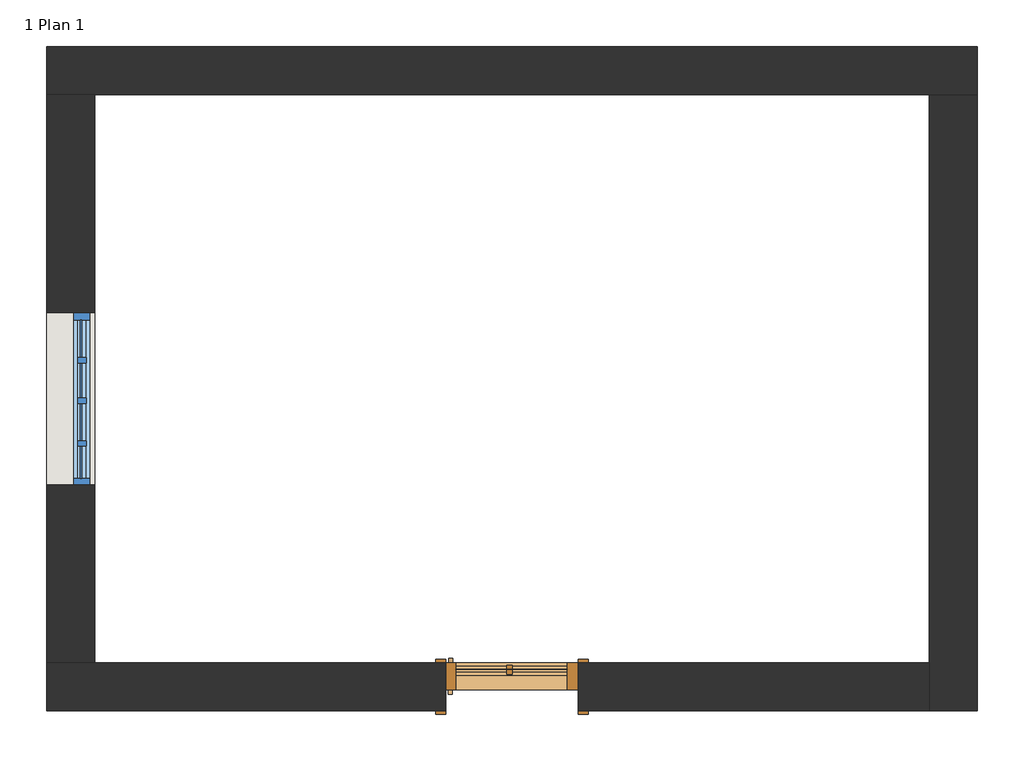
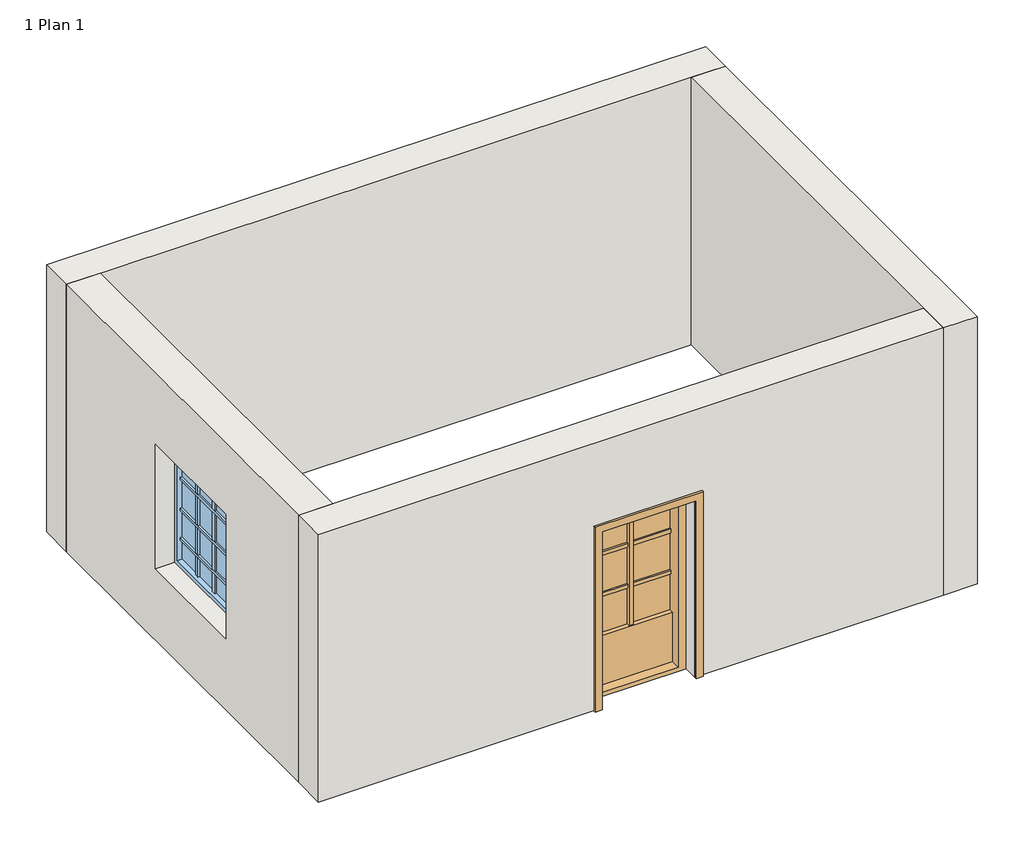
# One storey: 4 walls, 1 door, 1 window.
"""IFC4 building model written with IfcOpenShell, lengths in millimetres."""

import ifcopenshell
import ifcopenshell.guid

model = None  # the IFC model being written
_history = None  # IfcOwnerHistory: only IFC2X3 demands one
_inside = {}  # id of a spatial element -> (the spatial element, [elements in it])
_under = {}  # id of a project, library or spatial element -> (it, [spatial elements below it])
_declared = {}  # id of a project -> (the project, [libraries it declares])
_typed = {}  # id of a type object -> (the type object, [elements of that type])
_made_of = {}  # id of a material, layer set ... -> (it, [elements and type objects made of it])


def new_model(schema):
    """Start an empty IFC model of exactly this schema.

    Asked for "IFC4X3", IfcOpenShell would pick the latest addendum, in which some entities
    have other attributes; the version numbers below select the first issue.
    IFC2X3 requires an IfcOwnerHistory on every rooted entity: one is made here for all.
    """
    global model, _history
    if schema == "IFC4X3":
        model = ifcopenshell.file(schema_version=(4, 3, 0, 0))
    else:
        model = ifcopenshell.file(schema=schema)
    _inside.clear()
    _under.clear()
    _declared.clear()
    _typed.clear()
    _made_of.clear()
    _history = None
    if model.schema == "IFC2X3":
        org = make("IfcOrganization", Name="unknown")
        user = make(
            "IfcPersonAndOrganization",
            ThePerson=make("IfcPerson", FamilyName="unknown"),
            TheOrganization=org,
        )
        app = make(
            "IfcApplication",
            ApplicationDeveloper=org,
            Version="unknown",
            ApplicationFullName="unknown",
            ApplicationIdentifier="unknown",
        )
        _history = make(
            "IfcOwnerHistory",
            OwningUser=user,
            OwningApplication=app,
            ChangeAction="ADDED",
            CreationDate=0,
        )
    return model


def make(cls, **values):
    """One entity of the class cls with the attributes given. An attribute that is None is left unset."""
    return model.create_entity(
        cls, **{name: value for name, value in values.items() if value is not None}
    )


def rooted(cls, **values):
    """An entity with a GlobalId (a new one), such as an element, a storey or a relation."""
    return make(cls, GlobalId=ifcopenshell.guid.new(), OwnerHistory=_history, **values)


def si_unit(unit_type, name, prefix=None):
    """IfcSIUnit, for example si_unit("LENGTHUNIT", "METRE", prefix="MILLI")."""
    return make("IfcSIUnit", UnitType=unit_type, Prefix=prefix, Name=name)


def assignment(units):
    """IfcUnitAssignment: the units of a project."""
    return None if units is None else make("IfcUnitAssignment", Units=units)


def point(xyz):
    """IfcCartesianPoint."""
    return None if xyz is None else make("IfcCartesianPoint", Coordinates=xyz)


def direction(xyz):
    """IfcDirection."""
    return None if xyz is None else make("IfcDirection", DirectionRatios=xyz)


def frame(location, z_axis=None, x_axis=None):
    """IfcAxis2Placement3D, a coordinate frame: its origin and axes. An axis left out is left unset."""
    return make(
        "IfcAxis2Placement3D",
        Location=point(location),
        Axis=direction(z_axis),
        RefDirection=direction(x_axis),
    )


def frame_2d(location, x_axis=None):
    """IfcAxis2Placement2D, a coordinate frame in the plane: its origin and x axis."""
    return make(
        "IfcAxis2Placement2D", Location=point(location), RefDirection=direction(x_axis)
    )


def origin():
    """The frame at (0, 0, 0) with its axes left unset."""
    return frame((0.0, 0.0, 0.0))


def place(relative_to, where):
    """IfcLocalPlacement: puts the frame where relative to a parent placement (None: the world)."""
    return make(
        "IfcLocalPlacement", PlacementRelTo=relative_to, RelativePlacement=where
    )


def context(
    kind, dimensions, precision=None, world=None, true_north=None, identifier=None
):
    """IfcGeometricRepresentationContext, for example the 3D "Model" context."""
    return make(
        "IfcGeometricRepresentationContext",
        ContextIdentifier=identifier,
        ContextType=kind,
        CoordinateSpaceDimension=dimensions,
        Precision=precision,
        WorldCoordinateSystem=world,
        TrueNorth=true_north,
    )


def project(units=None, contexts=None):
    """IfcProject with its units and contexts."""
    return rooted(
        "IfcProject",
        Name="project",
        RepresentationContexts=contexts,
        UnitsInContext=assignment(units),
    )


def spatial(cls, under=None, at=None, **own):
    """A site, building, storey or space (cls), placed at a placement, below another one or the project."""
    s = rooted(cls, ObjectPlacement=at, **own)
    if under is not None:
        _under.setdefault(under.id(), (under, []))[1].append(s)
    return s


def polyline(points):
    """IfcPolyline through the points."""
    return make("IfcPolyline", Points=[point(p) for p in points])


def circle_curve(where, radius):
    """IfcCircle in the frame where."""
    return make("IfcCircle", Position=where, Radius=radius)


def trimmed(basis, trim1, trim2, sense, master):
    """IfcTrimmedCurve: the piece of a basis curve between two trims."""
    return make(
        "IfcTrimmedCurve",
        BasisCurve=basis,
        Trim1=trim1,
        Trim2=trim2,
        SenseAgreement=sense,
        MasterRepresentation=master,
    )


def segment(curve, same_sense, transition):
    """IfcCompositeCurveSegment."""
    return make(
        "IfcCompositeCurveSegment",
        Transition=transition,
        SameSense=same_sense,
        ParentCurve=curve,
    )


def composite_curve(segments, self_intersect=None):
    """IfcCompositeCurve: segments joined end to end."""
    return make("IfcCompositeCurve", Segments=segments, SelfIntersect=self_intersect)


def outline(outer, holes=None, kind="AREA"):
    """IfcArbitraryClosedProfileDef: a profile drawn as a closed curve; with holes, ...WithVoids."""
    if holes is None:
        return make("IfcArbitraryClosedProfileDef", ProfileType=kind, OuterCurve=outer)
    return make(
        "IfcArbitraryProfileDefWithVoids",
        ProfileType=kind,
        OuterCurve=outer,
        InnerCurves=holes,
    )


def extrude(swept, where, along, depth):
    """IfcExtrudedAreaSolid: the profile swept, set in the frame where, extruded along a direction by depth."""
    return make(
        "IfcExtrudedAreaSolid",
        SweptArea=swept,
        Position=where,
        ExtrudedDirection=direction(along),
        Depth=depth,
    )


def faces_of(points, faces, orient=None, outer=None):
    """IfcFace entities. A face is a list of loops; a loop is a list of indices into points, from 0.

    orient and outer hold one flag for each loop. By default every Orientation is true, the
    first loop of a face is its IfcFaceOuterBound and the others are IfcFaceBound.
    """
    made = []
    for i, loops in enumerate(faces):
        bounds = []
        for j, loop in enumerate(loops):
            is_outer = j == 0 if outer is None else outer[i][j]
            bounds.append(
                make(
                    "IfcFaceOuterBound" if is_outer else "IfcFaceBound",
                    Bound=make("IfcPolyLoop", Polygon=[points[k] for k in loop]),
                    Orientation=True if orient is None else orient[i][j],
                )
            )
        made.append(make("IfcFace", Bounds=bounds))
    return made


def faceted_brep(points, faces, orient=None, outer=None, voids=None):
    """IfcFacetedBrep: a solid bounded by flat faces; with voids (closed shells), ...WithVoids."""
    shared = [point(p) for p in points]
    hull = make("IfcClosedShell", CfsFaces=faces_of(shared, faces, orient, outer))
    if voids is None:
        return make("IfcFacetedBrep", Outer=hull)
    return make(
        "IfcFacetedBrepWithVoids",
        Outer=hull,
        Voids=[
            make(cls, CfsFaces=faces_of(shared, fs, o, b)) for cls, fs, o, b in voids
        ],
    )


def shape(context_of_items, identifier, shape_type, items):
    """IfcShapeRepresentation: the items that make up one representation, for example the "Body"."""
    return make(
        "IfcShapeRepresentation",
        ContextOfItems=context_of_items,
        RepresentationIdentifier=identifier,
        RepresentationType=shape_type,
        Items=items,
    )


def source(mapping_origin, context_of_items, identifier, shape_type, items):
    """IfcRepresentationMap: a shape defined once, which mapped items show again and again."""
    return make(
        "IfcRepresentationMap",
        MappingOrigin=mapping_origin,
        MappedRepresentation=shape(context_of_items, identifier, shape_type, items),
    )


def transform(
    local_origin,
    x_axis=None,
    y_axis=None,
    z_axis=None,
    scale=None,
    scale2=None,
    scale3=None,
    uniform=True,
):
    """IfcCartesianTransformationOperator3D, or its non-uniform kind. x_axis, y_axis, z_axis: its Axis1, 2, 3."""
    if uniform:
        return make(
            "IfcCartesianTransformationOperator3D",
            Axis1=direction(x_axis),
            Axis2=direction(y_axis),
            LocalOrigin=point(local_origin),
            Scale=scale,
            Axis3=direction(z_axis),
        )
    return make(
        "IfcCartesianTransformationOperator3DnonUniform",
        Axis1=direction(x_axis),
        Axis2=direction(y_axis),
        LocalOrigin=point(local_origin),
        Scale=scale,
        Axis3=direction(z_axis),
        Scale2=scale2,
        Scale3=scale3,
    )


def mapped(mapping_source, mapping_target):
    """IfcMappedItem: shows the shape of a source again, moved by a transform."""
    return make(
        "IfcMappedItem", MappingSource=mapping_source, MappingTarget=mapping_target
    )


def made_of(thing, what):
    """Note that an element or type object is made of a material, layer set ...; save() writes the relation."""
    if what is not None:
        _made_of.setdefault(what.id(), (what, []))[1].append(thing)
    return thing


def element(
    cls,
    number,
    at=None,
    inside=None,
    cuts=None,
    type_object=None,
    material=None,
    context=None,
    identifier="Body",
    shape_type=None,
    held_by="IfcProductDefinitionShape",
    body=None,
    shapes=None,
    **own,
):
    """One element of the class cls, such as IfcWall. Its Tag is "e" and its number.

    at: its placement. inside: the storey or other place that contains it. cuts: it is an
    opening in that element (IfcRelVoidsElement). A single representation is given by context,
    identifier, shape_type and body (its items); several are given by shapes. held_by: the class
    of the entity that holds the representations. save() writes the other relations.
    """
    e = rooted(cls, Tag="e%d" % number, ObjectPlacement=at, **own)
    if body is not None:
        shapes = [shape(context, identifier, shape_type, body)]
    if shapes is not None:
        e.Representation = make(held_by, Representations=shapes)
    if inside is not None:
        _inside.setdefault(inside.id(), (inside, []))[1].append(e)
    if cuts is not None:
        rooted(
            "IfcRelVoidsElement", RelatingBuildingElement=cuts, RelatedOpeningElement=e
        )
    if type_object is not None:
        _typed.setdefault(type_object.id(), (type_object, []))[1].append(e)
    return made_of(e, material)


def aggregate(whole, parts):
    """IfcRelAggregates: a whole, such as a stair, and the parts it consists of."""
    return rooted("IfcRelAggregates", RelatingObject=whole, RelatedObjects=parts)


def save(model, path):
    """Write the relations noted so far, then the file.

    IfcRelAggregates (storeys below a building ...), IfcRelContainedInSpatialStructure (elements
    in a storey), IfcRelDefinesByType, IfcRelAssociatesMaterial and IfcRelDeclares: one each for
    every whole, place, type object, material and project.
    """
    for whole, parts in _under.values():
        aggregate(whole, parts)
    for where, things in _inside.values():
        rooted(
            "IfcRelContainedInSpatialStructure",
            RelatedElements=things,
            RelatingStructure=where,
        )
    for kind, things in _typed.values():
        rooted("IfcRelDefinesByType", RelatedObjects=things, RelatingType=kind)
    for what, things in _made_of.values():
        rooted("IfcRelAssociatesMaterial", RelatedObjects=things, RelatingMaterial=what)
    for by, libraries in _declared.values():
        rooted("IfcRelDeclares", RelatingContext=by, RelatedDefinitions=libraries)
    model.write(path)


def door_15cb1f47(model_context):
    return source(origin(), model_context, "Body", "SweptSolid", [
        extrude(outline(polyline([(2000.0, -500.0), (2000.0, 500.0), (0.0, 500.0), (0.0, 575.0), (2075.0, 575.0), (2075.0, -575.0), (0.0, -575.0), (0.0, -500.0), (2000.0, -500.0)])), frame((0.0, 181.5, 0.0), z_axis=(0.0, 1.0, 0.0), x_axis=(0.0, 0.0, 1.0)), (0.0, 0.0, 1.0), 25.0),
        extrude(outline(polyline([(2075.0, -575.0), (0.0, -575.0), (0.0, -500.0), (2000.0, -500.0), (2000.0, 500.0), (0.0, 500.0), (0.0, 575.0), (2075.0, 575.0), (2075.0, -575.0)])), frame((0.0, -206.5, 0.0), z_axis=(0.0, 1.0, 0.0), x_axis=(0.0, 0.0, 1.0)), (0.0, 0.0, 1.0), 25.0),
        extrude(outline(polyline([(422.473882, -133.5), (-415.0, -133.5), (-415.0, -131.5), (422.473882, -131.5), (422.473882, -133.5)])), frame((0.0, 0.0, 599.8228191), z_axis=(0.0, 0.0, 1.0), x_axis=(1.0, 0.0, 0.0)), (0.0, 0.0, 1.0), 1363.6242112),
        extrude(outline(polyline([(40.0, -161.2253953), (-3.4048038, -161.2253953), (-3.4048038, -96.2253953), (40.0, -96.2253953), (40.0, -161.2253953)])), frame((0.0, 0.0, 599.8228191), z_axis=(0.0, 0.0, 1.0), x_axis=(1.0, 0.0, 0.0)), (0.0, 0.0, 1.0), 1363.6242112),
        extrude(outline(polyline([(2000.0, 500.0), (2000.0, -500.0), (0.0, -500.0), (0.0, 500.0), (2000.0, 500.0)]), holes=[polyline([(43.4470303, 422.473882), (43.4470303, -415.0), (1963.4470303, -415.0), (1963.4470303, 422.473882), (43.4470303, 422.473882)])]), frame((0.0, -181.5, 0.0), z_axis=(0.0, 1.0, 0.0), x_axis=(0.0, 0.0, 1.0)), (0.0, 0.0, 1.0), 201.5),
        extrude(outline(composite_curve([segment(trimmed(circle_curve(frame_2d((946.6881448, 464.9196404)), 15.0), [point((946.6881448, 479.9196404))], [point((946.6881448, 449.9196404))], False, "CARTESIAN"), True, "CONTINUOUS"), segment(trimmed(circle_curve(frame_2d((946.6881448, 464.9196404)), 15.0), [point((946.6881448, 449.9196404))], [point((946.6881448, 479.9196404))], False, "CARTESIAN"), True, "CONTINUOUS")], self_intersect=False)), frame((0.0, 20.0, 0.0), z_axis=(0.0, 1.0, 0.0), x_axis=(0.0, 0.0, 1.0)), (0.0, 0.0, 1.0), 33.9),
        extrude(outline(composite_curve([segment(trimmed(circle_curve(frame_2d((948.2153091, 458.8894284)), 15.0), [point((948.2153091, 443.8894284))], [point((948.2153091, 473.8894284))], False, "CARTESIAN"), True, "CONTINUOUS"), segment(trimmed(circle_curve(frame_2d((948.2153091, 458.8894284)), 15.0), [point((948.2153091, 473.8894284))], [point((948.2153091, 443.8894284))], False, "CARTESIAN"), True, "CONTINUOUS")], self_intersect=False)), frame((0.0, -215.426138, 0.0), z_axis=(0.0, 1.0, 0.0), x_axis=(0.0, 0.0, 1.0)), (0.0, 0.0, 1.0), 33.926138),
        extrude(outline(polyline([(422.473882, -111.8287398), (422.473882, -156.2253953), (-415.0, -156.2253953), (-415.0, -111.8287398), (422.473882, -111.8287398)])), frame((0.0, 0.0, 1477.103294), z_axis=(0.0, 0.0, 1.0), x_axis=(1.0, 0.0, 0.0)), (0.0, 0.0, 1.0), 40.1724937),
        extrude(outline(polyline([(422.473882, -112.1033445), (422.473882, -156.5), (-415.0, -156.5), (-415.0, -112.1033445), (422.473882, -112.1033445)])), frame((0.0, 0.0, 1013.5063999), z_axis=(0.0, 0.0, 1.0), x_axis=(1.0, 0.0, 0.0)), (0.0, 0.0, 1.0), 40.1724937),
        extrude(outline(polyline([(422.473882, -181.5), (-415.0, -181.5), (-415.0, -86.5), (422.473882, -86.5), (422.473882, -181.5)])), frame((0.0, 0.0, 43.4470303), z_axis=(0.0, 0.0, 1.0), x_axis=(1.0, 0.0, 0.0)), (0.0, 0.0, 1.0), 556.3757888),
    ])


def window_07c55287(model_context):
    return source(origin(), model_context, "Body", "SolidModel", [
        faceted_brep([(-146.2502915, -51.9216834, 854.6219736), (-146.2502915, -116.9216834, 854.6219736), (-186.2502915, -116.9216834, 854.6219736), (-186.2502915, -51.9216834, 854.6219736), (-146.2502915, -51.9216834, 2154.6219736), (-146.2502915, -116.9216834, 2154.6219736), (-146.2502915, -51.9216834, 1073.2641831), (-146.2502915, -111.5, 1073.2641831), (-146.2502915, -111.5, 1102.7391612), (-146.2502915, -51.9216834, 1102.7391612), (-146.2502915, -51.9216834, 1403.2641831), (-146.2502915, -111.5, 1403.2641831), (-146.2502915, -111.5, 1432.7391612), (-146.2502915, -51.9216834, 1432.7391612), (-146.2502915, -51.9216834, 1753.2641831), (-146.2502915, -111.5, 1753.2641831), (-146.2502915, -111.5, 1782.7391612), (-146.2502915, -51.9216834, 1782.7391612), (-186.2502915, -116.9216834, 2154.6219736), (-186.2502915, -51.9216834, 2154.6219736), (-186.2502915, -51.9216834, 1782.7391612), (-186.2502915, -111.5, 1782.7391612), (-186.2502915, -111.5, 1753.2641831), (-186.2502915, -51.9216834, 1753.2641831), (-186.2502915, -51.9216834, 1432.7391612), (-186.2502915, -111.5, 1432.7391612), (-186.2502915, -111.5, 1403.2641831), (-186.2502915, -51.9216834, 1403.2641831), (-186.2502915, -51.9216834, 1102.7391612), (-186.2502915, -111.5, 1102.7391612), (-186.2502915, -111.5, 1073.2641831), (-186.2502915, -51.9216834, 1073.2641831), (-466.2502915, -51.9216834, 854.6219736), (-466.2502915, -116.9216834, 854.6219736), (-506.2502915, -116.9216834, 854.6219736), (-506.2502915, -51.9216834, 854.6219736), (-466.2502915, -51.9216834, 2154.6219736), (-466.2502915, -116.9216834, 2154.6219736), (-466.2502915, -51.9216834, 1073.2641831), (-466.2502915, -111.5, 1073.2641831), (-466.2502915, -111.5, 1102.7391612), (-466.2502915, -51.9216834, 1102.7391612), (-466.2502915, -51.9216834, 1403.2641831), (-466.2502915, -111.5, 1403.2641831), (-466.2502915, -111.5, 1432.7391612), (-466.2502915, -51.9216834, 1432.7391612), (-466.2502915, -51.9216834, 1753.2641831), (-466.2502915, -111.5, 1753.2641831), (-466.2502915, -111.5, 1782.7391612), (-466.2502915, -51.9216834, 1782.7391612), (-506.2502915, -116.9216834, 2154.6219736), (-506.2502915, -51.9216834, 2154.6219736), (-506.2502915, -51.9216834, 1782.7391612), (-506.2502915, -111.5, 1782.7391612), (-506.2502915, -111.5, 1753.2641831), (-506.2502915, -51.9216834, 1753.2641831), (-506.2502915, -51.9216834, 1432.7391612), (-506.2502915, -111.5, 1432.7391612), (-506.2502915, -111.5, 1403.2641831), (-506.2502915, -51.9216834, 1403.2641831), (-506.2502915, -51.9216834, 1102.7391612), (-506.2502915, -111.5, 1102.7391612), (-506.2502915, -111.5, 1073.2641831), (-506.2502915, -51.9216834, 1073.2641831), (158.7497085, -51.9216834, 854.6219736), (158.7497085, -116.9216834, 854.6219736), (118.7497085, -116.9216834, 854.6219736), (118.7497085, -51.9216834, 854.6219736), (158.7497085, -51.9216834, 2154.6219736), (158.7497085, -116.9216834, 2154.6219736), (158.7497085, -51.9216834, 1073.2641831), (158.7497085, -111.5, 1073.2641831), (158.7497085, -111.5, 1102.7391612), (158.7497085, -51.9216834, 1102.7391612), (158.7497085, -51.9216834, 1403.2641831), (158.7497085, -111.5, 1403.2641831), (158.7497085, -111.5, 1432.7391612), (158.7497085, -51.9216834, 1432.7391612), (158.7497085, -51.9216834, 1753.2641831), (158.7497085, -111.5, 1753.2641831), (158.7497085, -111.5, 1782.7391612), (158.7497085, -51.9216834, 1782.7391612), (118.7497085, -116.9216834, 2154.6219736), (118.7497085, -51.9216834, 2154.6219736), (118.7497085, -51.9216834, 1782.7391612), (118.7497085, -111.5, 1782.7391612), (118.7497085, -111.5, 1753.2641831), (118.7497085, -51.9216834, 1753.2641831), (118.7497085, -51.9216834, 1432.7391612), (118.7497085, -111.5, 1432.7391612), (118.7497085, -111.5, 1403.2641831), (118.7497085, -51.9216834, 1403.2641831), (118.7497085, -51.9216834, 1102.7391612), (118.7497085, -111.5, 1102.7391612), (118.7497085, -111.5, 1073.2641831), (118.7497085, -51.9216834, 1073.2641831), (443.7497085, -111.5, 1782.7391612), (443.7497085, -111.5, 1753.2641831), (443.7497085, -51.4894594, 1753.2641831), (443.7497085, -51.4894594, 1782.7391612), (-750.0, -111.5, 1782.7391612), (-750.0, -51.4894594, 1782.7391612), (-750.0, -51.4894594, 1753.2641831), (-750.0, -111.5, 1753.2641831), (443.7497085, -111.5, 1432.7391612), (443.7497085, -111.5, 1403.2641831), (443.7497085, -51.4894594, 1403.2641831), (443.7497085, -51.4894594, 1432.7391612), (-750.0, -111.5, 1432.7391612), (-750.0, -51.4894594, 1432.7391612), (-750.0, -51.4894594, 1403.2641831), (-750.0, -111.5, 1403.2641831), (443.7497085, -111.5, 1102.7391612), (443.7497085, -111.5, 1073.2641831), (443.7497085, -51.4894594, 1073.2641831), (443.7497085, -51.4894594, 1102.7391612), (-750.0, -111.5, 1102.7391612), (-750.0, -51.4894594, 1102.7391612), (-750.0, -51.4894594, 1073.2641831), (-750.0, -111.5, 1073.2641831)], [[[0, 1, 2, 3]], [[4, 5, 1, 0, 6, 7, 8, 9, 10, 11, 12, 13, 14, 15, 16, 17]], [[5, 18, 2, 1]], [[18, 19, 20, 21, 22, 23, 24, 25, 26, 27, 28, 29, 30, 31, 3, 2]], [[0, 3, 31, 6]], [[23, 14, 13, 24]], [[19, 4, 17, 20]], [[27, 10, 9, 28]], [[32, 33, 34, 35]], [[36, 37, 33, 32, 38, 39, 40, 41, 42, 43, 44, 45, 46, 47, 48, 49]], [[37, 50, 34, 33]], [[50, 51, 52, 53, 54, 55, 56, 57, 58, 59, 60, 61, 62, 63, 35, 34]], [[32, 35, 63, 38]], [[55, 46, 45, 56]], [[51, 36, 49, 52]], [[59, 42, 41, 60]], [[64, 65, 66, 67]], [[68, 69, 65, 64, 70, 71, 72, 73, 74, 75, 76, 77, 78, 79, 80, 81]], [[69, 82, 66, 65]], [[82, 83, 84, 85, 86, 87, 88, 89, 90, 91, 92, 93, 94, 95, 67, 66]], [[64, 67, 95, 70]], [[83, 68, 81, 84]], [[78, 77, 88, 87]], [[74, 73, 92, 91]], [[96, 97, 98, 99]], [[100, 101, 102, 103]], [[97, 96, 80, 79]], [[100, 103, 54, 53]], [[22, 21, 48, 47]], [[16, 15, 86, 85]], [[98, 97, 79, 78, 87, 86, 15, 14, 23, 22, 47, 46, 55, 54, 103, 102]], [[99, 98, 102, 101]], [[96, 99, 101, 100, 53, 52, 49, 48, 21, 20, 17, 16, 85, 84, 81, 80]], [[4, 19, 18, 5]], [[36, 51, 50, 37]], [[104, 105, 106, 107]], [[108, 109, 110, 111]], [[12, 11, 90, 89]], [[105, 104, 76, 75]], [[108, 111, 58, 57]], [[25, 44, 43, 26]], [[106, 105, 75, 74, 91, 90, 11, 10, 27, 26, 43, 42, 59, 58, 111, 110]], [[107, 106, 110, 109]], [[104, 107, 109, 108, 57, 56, 45, 44, 25, 24, 13, 12, 89, 88, 77, 76]], [[112, 113, 114, 115]], [[116, 117, 118, 119]], [[8, 7, 94, 93]], [[113, 112, 72, 71]], [[116, 119, 62, 61]], [[29, 40, 39, 30]], [[114, 113, 71, 70, 95, 94, 7, 6, 31, 30, 39, 38, 63, 62, 119, 118]], [[115, 114, 118, 117]], [[112, 115, 117, 116, 61, 60, 41, 40, 29, 28, 9, 8, 93, 92, 73, 72]], [[68, 83, 82, 69]]]),
        extrude(outline(polyline([(443.7497085, -81.5), (-750.0, -81.5), (-750.0, -71.5), (443.7497085, -71.5), (443.7497085, -81.5)])), frame((0.0, 0.0, 854.6219736), z_axis=(0.0, 0.0, 1.0), x_axis=(1.0, 0.0, 0.0)), (0.0, 0.0, 1.0), 1300.0),
        extrude(outline(polyline([(2204.6219736, 493.7497085), (2204.6219736, -800.0), (804.6219736, -800.0), (804.6219736, 493.7497085), (2204.6219736, 493.7497085)]), holes=[polyline([(854.6219736, -750.0), (2154.6219736, -750.0), (2154.6219736, 443.7497085), (854.6219736, 443.7497085), (854.6219736, -750.0)])]), frame((0.0, -141.5, 0.0), z_axis=(0.0, 1.0, 0.0), x_axis=(0.0, 0.0, 1.0)), (0.0, 0.0, 1.0), 120.0),
    ])


model = new_model("IFC4")

# Units and contexts
model_context = context("Model", 3, world=origin())
ifc_project = project(units=[si_unit("LENGTHUNIT", "METRE", prefix="MILLI")], contexts=[model_context])

# Site, building, storey
site = spatial("IfcSite", under=ifc_project)
building = spatial("IfcBuilding", under=site)
storey = spatial("IfcBuildingStorey", under=building, Name="1 Plan 1", Elevation=0.0)

# Door
placement = place(None, origin())
door_shape = door_15cb1f47(model_context)
element("IfcDoor", 1, at=placement, inside=storey, context=model_context, shape_type="MappedRepresentation", body=[
    mapped(door_shape, transform((-1478.548569, -1678.1293869, 0.0), x_axis=(-1.0, 0.0, 0.0), y_axis=(0.0, -1.0, 0.0), z_axis=(0.0, 0.0, 1.0))),
])

# Walls
element("IfcWall", 2, ObjectType="OW-CON+BRICK", at=placement, inside=storey, context=model_context, shape_type="Brep", body=[
    faceted_brep([(-4978.548569, 2777.3706131, 0.0), (-4615.548569, 2777.3706131, 0.0), (1658.451431, 2777.3706131, 0.0), (2021.451431, 2777.3706131, 0.0), (2021.451431, 2777.3706131, 3000.0), (1658.451431, 2777.3706131, 3000.0), (-4615.548569, 2777.3706131, 3000.0), (-4978.548569, 2777.3706131, 3000.0), (-4978.548569, 3140.3706131, 0.0), (-4978.548569, 3140.3706131, 3000.0), (2021.451431, 3140.3706131, 3000.0), (2021.451431, 3140.3706131, 0.0)], [[[0, 1, 2, 3, 4, 5, 6, 7]], [[8, 9, 10, 11]], [[3, 2, 1, 0, 8, 11]], [[7, 6, 5, 4, 10, 9]], [[4, 3, 11, 10]], [[0, 7, 9, 8]]]),
])
element("IfcWall", 3, ObjectType="OW-CON+BRICK", at=placement, inside=storey, context=model_context, shape_type="Brep", body=[
    faceted_brep([(1658.451431, 2777.3706131, 0.0), (1658.451431, -1496.6293869, 0.0), (1658.451431, -1859.6293869, 0.0), (1658.451431, -1859.6293869, 3000.0), (1658.451431, -1496.6293869, 3000.0), (1658.451431, 2777.3706131, 3000.0), (2021.451431, 2777.3706131, 0.0), (2021.451431, 2777.3706131, 3000.0), (2021.451431, -1859.6293869, 3000.0), (2021.451431, -1859.6293869, 0.0)], [[[0, 1, 2, 3, 4, 5]], [[6, 7, 8, 9]], [[2, 1, 0, 6, 9]], [[5, 4, 3, 8, 7]], [[0, 5, 7, 6]], [[3, 2, 9, 8]]]),
])
element("IfcWall", 4, ObjectType="OW-CON+BRICK", at=placement, inside=storey, context=model_context, shape_type="Brep", body=[
    faceted_brep([(-4978.548569, -1496.6293869, 3000.0), (-4615.548569, -1496.6293869, 3000.0), (1658.451431, -1496.6293869, 3000.0), (1658.451431, -1496.6293869, 0.0), (-978.548569, -1496.6293869, 0.0), (-978.548569, -1496.6293869, 2000.0), (-1978.548569, -1496.6293869, 2000.0), (-1978.548569, -1496.6293869, 0.0), (-4615.548569, -1496.6293869, 0.0), (-4978.548569, -1496.6293869, 0.0), (1658.451431, -1859.6293869, 3000.0), (-4978.548569, -1859.6293869, 3000.0), (-4978.548569, -1859.6293869, 0.0), (-1978.548569, -1859.6293869, 0.0), (-1978.548569, -1859.6293869, 2000.0), (-978.548569, -1859.6293869, 2000.0), (-978.548569, -1859.6293869, 0.0), (1658.451431, -1859.6293869, 0.0)], [[[0, 1, 2, 3, 4, 5, 6, 7, 8, 9]], [[10, 11, 12, 13, 14, 15, 16, 17]], [[3, 17, 16, 4]], [[12, 9, 8, 7, 13]], [[2, 1, 0, 11, 10]], [[3, 2, 10, 17]], [[0, 9, 12, 11]], [[6, 14, 13, 7]], [[14, 6, 5, 15]], [[15, 5, 4, 16]]]),
])
element("IfcWall", 5, ObjectType="OW-CON+BRICK", at=placement, inside=storey, context=model_context, shape_type="SweptSolid", body=[
    extrude(outline(polyline([(-1496.6293869, 0.0), (-1496.6293869, 3000.0), (2777.3706131, 3000.0), (2777.3706131, 0.0), (-1496.6293869, 0.0)]), holes=[polyline([(-159.6293869, 800.0), (1140.3706131, 800.0), (1140.3706131, 2200.0), (-159.6293869, 2200.0), (-159.6293869, 800.0)])]), frame((-4978.548569, 0.0, 0.0), z_axis=(1.0, 0.0, 0.0), x_axis=(0.0, 1.0, 0.0)), (0.0, 0.0, 1.0), 363.0),
])

# Window
window_shape = window_07c55287(model_context)
element("IfcWindow", 6, at=placement, inside=storey, context=model_context, shape_type="MappedRepresentation", body=[
    mapped(window_shape, transform((-4797.048569, 640.3706131, 0.0), x_axis=(0.0, 1.0, 0.0), y_axis=(-1.0, 0.0, 0.0), z_axis=(0.0, 0.0, 1.0))),
])

save(model, "model.ifc")
